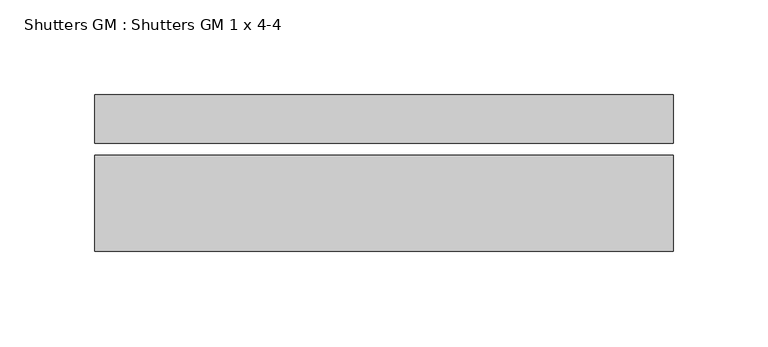
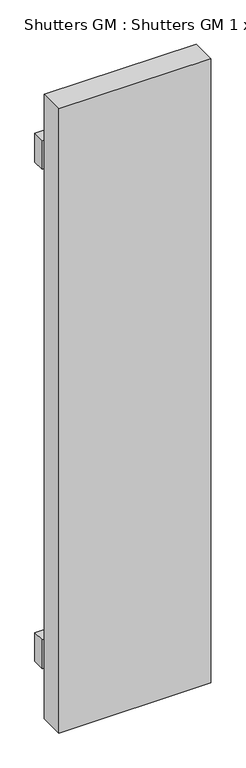
"""IFC4 building model written with IfcOpenShell, lengths in millimetres: proxy geometry, Shutters GM : Shutters GM 1 x 4-4."""

from ifc_helpers import new_model, si_unit, frame, origin, place, context, project, spatial, polyline, outline, extrude, source, transform, mapped, element, save


def shutters_gm_shutters_gm_1_x_4_4_3698c8b1(model_context):
    return source(origin(), model_context, "Body", "SweptSolid", [
        extrude(outline(polyline([(-152.4, 152.4), (152.4, 152.4), (152.4, 127.0), (-152.4, 127.0), (-152.4, 152.4)])), frame((0.0, 0.0, 1602.9257333), z_axis=(0.0, 0.0, 1.0), x_axis=(1.0, 0.0, 0.0)), (0.0, 0.0, 1.0), 60.96),
        extrude(outline(polyline([(-152.4, 152.4), (152.4, 152.4), (152.4, 127.0), (-152.4, 127.0), (-152.4, 152.4)])), frame((0.0, 0.0, 2659.5657333), z_axis=(0.0, 0.0, 1.0), x_axis=(1.0, 0.0, 0.0)), (0.0, 0.0, 1.0), 60.96),
        extrude(outline(polyline([(152.4, 69.85), (-152.4, 69.85), (-152.4, 120.65), (152.4, 120.65), (152.4, 69.85)])), frame((0.0, 0.0, 1501.3257333), z_axis=(0.0, 0.0, 1.0), x_axis=(1.0, 0.0, 0.0)), (0.0, 0.0, 1.0), 1320.8),
    ])


if __name__ == "__main__":
    model = new_model("IFC4")
    model_context = context("Model", 3, world=origin())
    ifc_project = project(units=[si_unit("LENGTHUNIT", "METRE", prefix="MILLI")], contexts=[model_context])
    site = spatial("IfcSite", under=ifc_project)
    building = spatial("IfcBuilding", under=site)
    placement = place(None, origin())
    shutters_gm_shutters_gm_1_x_4_4_shape = shutters_gm_shutters_gm_1_x_4_4_3698c8b1(model_context)
    element("IfcBuildingElementProxy", 1, Name="Shutters GM : Shutters GM 1 x 4-4", ObjectType="Shutters GM : Shutters GM 1 x 4-4", at=placement, inside=building, context=model_context, shape_type="MappedRepresentation", body=[
        mapped(shutters_gm_shutters_gm_1_x_4_4_shape, transform((0.0, 0.0, 0.0), x_axis=(1.0, 0.0, 0.0), y_axis=(0.0, 1.0, 0.0), z_axis=(0.0, 0.0, 1.0))),
    ])
    save(model, "model.ifc")
